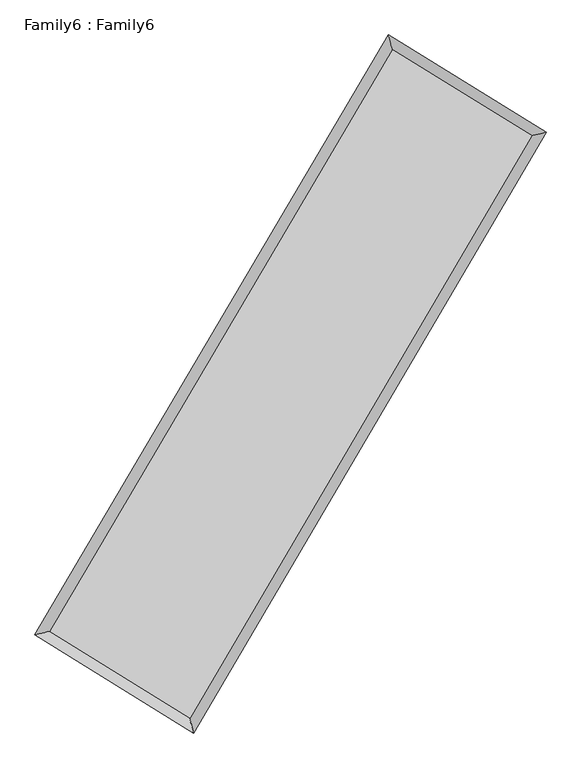
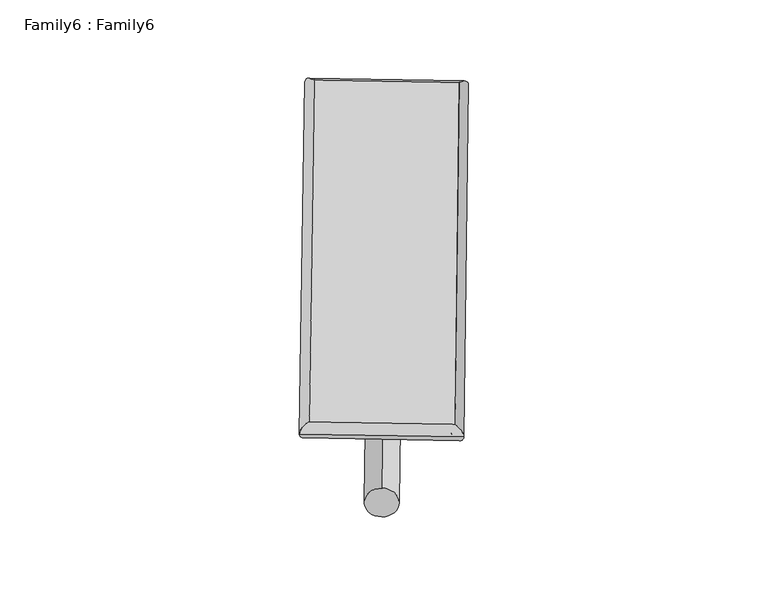
"""IFC4 building model written with IfcOpenShell, lengths in millimetres: plate geometry, Family6 : Family6."""

import ifcopenshell
import ifcopenshell.guid

model = None  # the IFC model being written
_history = None  # IfcOwnerHistory: only IFC2X3 demands one
_inside = {}  # id of a spatial element -> (the spatial element, [elements in it])
_under = {}  # id of a project, library or spatial element -> (it, [spatial elements below it])
_declared = {}  # id of a project -> (the project, [libraries it declares])
_typed = {}  # id of a type object -> (the type object, [elements of that type])
_made_of = {}  # id of a material, layer set ... -> (it, [elements and type objects made of it])


def new_model(schema):
    """Start an empty IFC model of exactly this schema.

    Asked for "IFC4X3", IfcOpenShell would pick the latest addendum, in which some entities
    have other attributes; the version numbers below select the first issue.
    IFC2X3 requires an IfcOwnerHistory on every rooted entity: one is made here for all.
    """
    global model, _history
    if schema == "IFC4X3":
        model = ifcopenshell.file(schema_version=(4, 3, 0, 0))
    else:
        model = ifcopenshell.file(schema=schema)
    _inside.clear()
    _under.clear()
    _declared.clear()
    _typed.clear()
    _made_of.clear()
    _history = None
    if model.schema == "IFC2X3":
        org = make("IfcOrganization", Name="unknown")
        user = make(
            "IfcPersonAndOrganization",
            ThePerson=make("IfcPerson", FamilyName="unknown"),
            TheOrganization=org,
        )
        app = make(
            "IfcApplication",
            ApplicationDeveloper=org,
            Version="unknown",
            ApplicationFullName="unknown",
            ApplicationIdentifier="unknown",
        )
        _history = make(
            "IfcOwnerHistory",
            OwningUser=user,
            OwningApplication=app,
            ChangeAction="ADDED",
            CreationDate=0,
        )
    return model


def make(cls, **values):
    """One entity of the class cls with the attributes given. An attribute that is None is left unset."""
    return model.create_entity(
        cls, **{name: value for name, value in values.items() if value is not None}
    )


def rooted(cls, **values):
    """An entity with a GlobalId (a new one), such as an element, a storey or a relation."""
    return make(cls, GlobalId=ifcopenshell.guid.new(), OwnerHistory=_history, **values)


def si_unit(unit_type, name, prefix=None):
    """IfcSIUnit, for example si_unit("LENGTHUNIT", "METRE", prefix="MILLI")."""
    return make("IfcSIUnit", UnitType=unit_type, Prefix=prefix, Name=name)


def assignment(units):
    """IfcUnitAssignment: the units of a project."""
    return None if units is None else make("IfcUnitAssignment", Units=units)


def point(xyz):
    """IfcCartesianPoint."""
    return None if xyz is None else make("IfcCartesianPoint", Coordinates=xyz)


def direction(xyz):
    """IfcDirection."""
    return None if xyz is None else make("IfcDirection", DirectionRatios=xyz)


def frame(location, z_axis=None, x_axis=None):
    """IfcAxis2Placement3D, a coordinate frame: its origin and axes. An axis left out is left unset."""
    return make(
        "IfcAxis2Placement3D",
        Location=point(location),
        Axis=direction(z_axis),
        RefDirection=direction(x_axis),
    )


def frame_2d(location, x_axis=None):
    """IfcAxis2Placement2D, a coordinate frame in the plane: its origin and x axis."""
    return make(
        "IfcAxis2Placement2D", Location=point(location), RefDirection=direction(x_axis)
    )


def origin():
    """The frame at (0, 0, 0) with its axes left unset."""
    return frame((0.0, 0.0, 0.0))


def origin_2d():
    """The frame at (0, 0) in the plane with its x axis left unset."""
    return frame_2d((0.0, 0.0))


def place(relative_to, where):
    """IfcLocalPlacement: puts the frame where relative to a parent placement (None: the world)."""
    return make(
        "IfcLocalPlacement", PlacementRelTo=relative_to, RelativePlacement=where
    )


def context(
    kind, dimensions, precision=None, world=None, true_north=None, identifier=None
):
    """IfcGeometricRepresentationContext, for example the 3D "Model" context."""
    return make(
        "IfcGeometricRepresentationContext",
        ContextIdentifier=identifier,
        ContextType=kind,
        CoordinateSpaceDimension=dimensions,
        Precision=precision,
        WorldCoordinateSystem=world,
        TrueNorth=true_north,
    )


def project(units=None, contexts=None):
    """IfcProject with its units and contexts."""
    return rooted(
        "IfcProject",
        Name="project",
        RepresentationContexts=contexts,
        UnitsInContext=assignment(units),
    )


def spatial(cls, under=None, at=None, **own):
    """A site, building, storey or space (cls), placed at a placement, below another one or the project."""
    s = rooted(cls, ObjectPlacement=at, **own)
    if under is not None:
        _under.setdefault(under.id(), (under, []))[1].append(s)
    return s


def circle_curve(where, radius):
    """IfcCircle in the frame where."""
    return make("IfcCircle", Position=where, Radius=radius)


def ellipse_curve(where, semi_axis1, semi_axis2):
    """IfcEllipse in the frame where."""
    return make(
        "IfcEllipse", Position=where, SemiAxis1=semi_axis1, SemiAxis2=semi_axis2
    )


def trimmed(basis, trim1, trim2, sense, master):
    """IfcTrimmedCurve: the piece of a basis curve between two trims."""
    return make(
        "IfcTrimmedCurve",
        BasisCurve=basis,
        Trim1=trim1,
        Trim2=trim2,
        SenseAgreement=sense,
        MasterRepresentation=master,
    )


def segment(curve, same_sense, transition):
    """IfcCompositeCurveSegment."""
    return make(
        "IfcCompositeCurveSegment",
        Transition=transition,
        SameSense=same_sense,
        ParentCurve=curve,
    )


def composite_curve(segments, self_intersect=None):
    """IfcCompositeCurve: segments joined end to end."""
    return make("IfcCompositeCurve", Segments=segments, SelfIntersect=self_intersect)


def outline(outer, holes=None, kind="AREA"):
    """IfcArbitraryClosedProfileDef: a profile drawn as a closed curve; with holes, ...WithVoids."""
    if holes is None:
        return make("IfcArbitraryClosedProfileDef", ProfileType=kind, OuterCurve=outer)
    return make(
        "IfcArbitraryProfileDefWithVoids",
        ProfileType=kind,
        OuterCurve=outer,
        InnerCurves=holes,
    )


def extrude(swept, where, along, depth):
    """IfcExtrudedAreaSolid: the profile swept, set in the frame where, extruded along a direction by depth."""
    return make(
        "IfcExtrudedAreaSolid",
        SweptArea=swept,
        Position=where,
        ExtrudedDirection=direction(along),
        Depth=depth,
    )


def shape(context_of_items, identifier, shape_type, items):
    """IfcShapeRepresentation: the items that make up one representation, for example the "Body"."""
    return make(
        "IfcShapeRepresentation",
        ContextOfItems=context_of_items,
        RepresentationIdentifier=identifier,
        RepresentationType=shape_type,
        Items=items,
    )


def source(mapping_origin, context_of_items, identifier, shape_type, items):
    """IfcRepresentationMap: a shape defined once, which mapped items show again and again."""
    return make(
        "IfcRepresentationMap",
        MappingOrigin=mapping_origin,
        MappedRepresentation=shape(context_of_items, identifier, shape_type, items),
    )


def transform(
    local_origin,
    x_axis=None,
    y_axis=None,
    z_axis=None,
    scale=None,
    scale2=None,
    scale3=None,
    uniform=True,
):
    """IfcCartesianTransformationOperator3D, or its non-uniform kind. x_axis, y_axis, z_axis: its Axis1, 2, 3."""
    if uniform:
        return make(
            "IfcCartesianTransformationOperator3D",
            Axis1=direction(x_axis),
            Axis2=direction(y_axis),
            LocalOrigin=point(local_origin),
            Scale=scale,
            Axis3=direction(z_axis),
        )
    return make(
        "IfcCartesianTransformationOperator3DnonUniform",
        Axis1=direction(x_axis),
        Axis2=direction(y_axis),
        LocalOrigin=point(local_origin),
        Scale=scale,
        Axis3=direction(z_axis),
        Scale2=scale2,
        Scale3=scale3,
    )


def mapped(mapping_source, mapping_target):
    """IfcMappedItem: shows the shape of a source again, moved by a transform."""
    return make(
        "IfcMappedItem", MappingSource=mapping_source, MappingTarget=mapping_target
    )


def made_of(thing, what):
    """Note that an element or type object is made of a material, layer set ...; save() writes the relation."""
    if what is not None:
        _made_of.setdefault(what.id(), (what, []))[1].append(thing)
    return thing


def element(
    cls,
    number,
    at=None,
    inside=None,
    cuts=None,
    type_object=None,
    material=None,
    context=None,
    identifier="Body",
    shape_type=None,
    held_by="IfcProductDefinitionShape",
    body=None,
    shapes=None,
    **own,
):
    """One element of the class cls, such as IfcWall. Its Tag is "e" and its number.

    at: its placement. inside: the storey or other place that contains it. cuts: it is an
    opening in that element (IfcRelVoidsElement). A single representation is given by context,
    identifier, shape_type and body (its items); several are given by shapes. held_by: the class
    of the entity that holds the representations. save() writes the other relations.
    """
    e = rooted(cls, Tag="e%d" % number, ObjectPlacement=at, **own)
    if body is not None:
        shapes = [shape(context, identifier, shape_type, body)]
    if shapes is not None:
        e.Representation = make(held_by, Representations=shapes)
    if inside is not None:
        _inside.setdefault(inside.id(), (inside, []))[1].append(e)
    if cuts is not None:
        rooted(
            "IfcRelVoidsElement", RelatingBuildingElement=cuts, RelatedOpeningElement=e
        )
    if type_object is not None:
        _typed.setdefault(type_object.id(), (type_object, []))[1].append(e)
    return made_of(e, material)


def aggregate(whole, parts):
    """IfcRelAggregates: a whole, such as a stair, and the parts it consists of."""
    return rooted("IfcRelAggregates", RelatingObject=whole, RelatedObjects=parts)


def save(model, path):
    """Write the relations noted so far, then the file.

    IfcRelAggregates (storeys below a building ...), IfcRelContainedInSpatialStructure (elements
    in a storey), IfcRelDefinesByType, IfcRelAssociatesMaterial and IfcRelDeclares: one each for
    every whole, place, type object, material and project.
    """
    for whole, parts in _under.values():
        aggregate(whole, parts)
    for where, things in _inside.values():
        rooted(
            "IfcRelContainedInSpatialStructure",
            RelatedElements=things,
            RelatingStructure=where,
        )
    for kind, things in _typed.values():
        rooted("IfcRelDefinesByType", RelatedObjects=things, RelatingType=kind)
    for what, things in _made_of.values():
        rooted("IfcRelAssociatesMaterial", RelatedObjects=things, RelatingMaterial=what)
    for by, libraries in _declared.values():
        rooted("IfcRelDeclares", RelatingContext=by, RelatedDefinitions=libraries)
    model.write(path)


def plane_surface(at):
    """IfcPlane: the flat surface through the origin of the frame at, square to its z axis."""
    return make("IfcPlane", Position=at)


def cylinder_surface(at, radius):
    """IfcCylindricalSurface: all points at the distance radius from the z axis of the frame at."""
    return make("IfcCylindricalSurface", Position=at, Radius=radius)


def spline_surface(u_degree, v_degree, points, u_multiplicities, v_multiplicities, u_knots, v_knots, weights=None):
    """IfcBSplineSurfaceWithKnots; with weights, IfcRationalBSplineSurfaceWithKnots. points: one row for each step in u."""
    own = dict(
        UDegree=u_degree,
        VDegree=v_degree,
        ControlPointsList=[[point(p) for p in row] for row in points],
        SurfaceForm="UNSPECIFIED",
        UClosed=False,
        VClosed=False,
        SelfIntersect=False,
        UMultiplicities=u_multiplicities,
        VMultiplicities=v_multiplicities,
        UKnots=u_knots,
        VKnots=v_knots,
        KnotSpec="UNSPECIFIED",
    )
    if weights is None:
        return make("IfcBSplineSurfaceWithKnots", **own)
    return make("IfcRationalBSplineSurfaceWithKnots", WeightsData=weights, **own)


def advanced_brep(points, edges, surfaces, faces):
    """IfcAdvancedBrep: a solid bounded by faces that lie on surfaces and meet in shared edges.

    An edge is (start, end): straight between two places in points (the first is 0);
    or (start, end, curve); or (start, end, curve, False) where it runs against its curve.
    A face is (place in surfaces, loops), or (place, loops, False) where it looks against
    its surface's normal. A loop lists edges by number (the first is 1), with a minus sign
    where the edge is run from its end to its start. The first loop is the outer one.
    """
    corners = [point(p) for p in points]
    vertices = [make("IfcVertexPoint", VertexGeometry=c) for c in corners]
    made = []
    for start, end, *more in edges:
        made.append(
            make(
                "IfcEdgeCurve",
                EdgeStart=vertices[start],
                EdgeEnd=vertices[end],
                EdgeGeometry=more[0] if more else make("IfcPolyline", Points=[corners[start], corners[end]]),
                SameSense=more[1] if len(more) > 1 else True,
            )
        )
    hull = []
    for where, loops, *sense in faces:
        bounds = []
        for j, loop in enumerate(loops):
            ring = [make("IfcOrientedEdge", EdgeElement=made[abs(k) - 1], Orientation=k > 0) for k in loop]
            bounds.append(
                make(
                    "IfcFaceOuterBound" if j == 0 else "IfcFaceBound",
                    Bound=make("IfcEdgeLoop", EdgeList=ring),
                    Orientation=True,
                )
            )
        hull.append(make("IfcAdvancedFace", Bounds=bounds, FaceSurface=surfaces[where], SameSense=sense[0] if sense else True))
    return make("IfcAdvancedBrep", Outer=make("IfcClosedShell", CfsFaces=hull))


def family6_family6_77c3e28c(model_context):
    return source(origin(), model_context, "Body", "SolidModel", [
        extrude(outline(composite_curve([segment(trimmed(circle_curve(origin_2d(), 76.2), [point((-75.4341514, -10.7763073))], [point((75.4341514, 10.7763073))], False, "CARTESIAN"), True, "CONTINUOUS"), segment(trimmed(circle_curve(origin_2d(), 76.2), [point((75.4341514, 10.7763073))], [point((-75.4341514, -10.7763073))], False, "CARTESIAN"), True, "CONTINUOUS")], self_intersect=False)), frame((9144.0, 9144.0, 0.0), z_axis=(0.6714934740501881, 0.6884695909529743, 0.27405498835280095), x_axis=(-0.6805135995412371, 0.7193107360191556, -0.13961842961088383)), (0.0, 0.0, 1.0), 5550.6311201),
        extrude(outline(composite_curve([segment(trimmed(circle_curve(origin_2d(), 76.2), [point((-53.8815367, 53.8815368))], [point((53.8815367, -53.8815368))], False, "CARTESIAN"), True, "CONTINUOUS"), segment(trimmed(circle_curve(origin_2d(), 76.2), [point((53.8815367, -53.8815368))], [point((-53.8815367, 53.8815368))], False, "CARTESIAN"), True, "CONTINUOUS")], self_intersect=False)), frame((9144.0, 9144.0, 0.0), z_axis=(-0.6726033541945122, -0.6873880879060019, 0.2740480697454777), x_axis=(0.6421509391810696, -0.3581196996721654, 0.6777849600098754)), (0.0, 0.0, 1.0), 5550.9109134),
        extrude(outline(composite_curve([segment(trimmed(circle_curve(origin_2d(), 76.2), [point((-53.8815368, -53.8815367))], [point((53.8815368, 53.8815367))], False, "CARTESIAN"), True, "CONTINUOUS"), segment(trimmed(circle_curve(origin_2d(), 76.2), [point((53.8815368, 53.8815367))], [point((-53.8815368, -53.8815367))], False, "CARTESIAN"), True, "CONTINUOUS")], self_intersect=False)), frame((9144.0, 9144.0, 0.0), z_axis=(0.27791717020310763, 0.9212493815472851, 0.2721426528588301), x_axis=(-0.839037679225885, 0.37074654221533865, -0.3981994152112871)), (0.0, 0.0, 1.0), 5598.952258),
        extrude(outline(composite_curve([segment(trimmed(circle_curve(origin_2d(), 76.2), [point((-75.4341514, 10.7763073))], [point((75.4341514, -10.7763073))], False, "CARTESIAN"), True, "CONTINUOUS"), segment(trimmed(circle_curve(origin_2d(), 76.2), [point((75.4341514, -10.7763073))], [point((-75.4341514, 10.7763073))], False, "CARTESIAN"), True, "CONTINUOUS")], self_intersect=False)), frame((9144.0, 9144.0, 0.0), z_axis=(-0.27664168429711433, -0.9217004600418367, 0.2719147669177281), x_axis=(0.8780291692541029, -0.12743524843568177, 0.46132963853960873)), (0.0, 0.0, 1.0), 5603.9445545),
        advanced_brep(
        [(5203.3700266, 5277.1999678, 1521.4192606), (5617.5075856, 5379.5402601, 1521.4734338), (5617.507375, 5379.5399544, 1521.0135817), (10752.4449947, 14090.8104908, 1523.43786), (10647.6449406, 14513.2521192, 1523.9895814), (5203.369816, 5277.1996622, 1520.9594085), (12664.213109, 12913.9086143, 1521.205223), (13078.212039, 13016.9728592, 1521.1510709), (7541.242638, 4190.4400225, 1523.745723), (7646.1880415, 3767.2434296, 1523.8448317)],
        [
            (0, 1, ellipse_curve(frame((5410.4387008, 5328.3699611, 1521.2164211), z_axis=(-0.23990015049681146, 0.9707974202690262, -0.000535341583476341), x_axis=(-0.9707970612204224, -0.23990055220788256, -0.0008893683962672171)), 213.2978972, 152.4)),
            (1, 2, ellipse_curve(frame((5410.4387008, 5328.3699611, 1521.2164211), z_axis=(-0.23990015049681146, 0.9707974202690262, -0.000535341583476341), x_axis=(-0.9707970612204224, -0.23990055220788256, -0.0008893683962672171)), 213.2978972, 152.4)),
            (2, 3),
            (3, 4, ellipse_curve(frame((10700.0449677, 14302.031305, 1523.7137207), z_axis=(-0.9705786882060006, -0.24078355342346444, 0.0005388887534651897), x_axis=(0.24078304625571476, -0.9705785786312136, -0.0008644871494334292)), 217.6237103, 152.4)),
            (4, 0),
            (2, 5, ellipse_curve(frame((5410.4387008, 5328.3699611, 1521.2164211), z_axis=(-0.23990015049681146, 0.9707974202690262, -0.000535341583476341), x_axis=(-0.9707970612204224, -0.23990055220788256, -0.0008893683962672171)), 213.2978972, 152.4)),
            (5, 0, ellipse_curve(frame((5410.4387008, 5328.3699611, 1521.2164211), z_axis=(-0.23990015049681146, 0.9707974202690262, -0.000535341583476341), x_axis=(-0.9707970612204224, -0.23990055220788256, -0.0008893683962672171)), 213.2978972, 152.4)),
            (4, 3, ellipse_curve(frame((10700.0449677, 14302.031305, 1523.7137207), z_axis=(-0.9705786882060006, -0.24078355342346444, 0.0005388887534651897), x_axis=(0.24078304625571476, -0.9705785786312136, -0.0008644871494334292)), 217.6237103, 152.4)),
            (3, 6),
            (6, 7, ellipse_curve(frame((12871.212574, 12965.4407368, 1521.178147), z_axis=(-0.24157470347472926, 0.9703820855578406, 0.0005202590819811876), x_axis=(-0.9703817206075955, -0.24157508983850828, 0.0008901012071989528)), 213.31752, 152.4)),
            (7, 4),
            (7, 6, ellipse_curve(frame((12871.212574, 12965.4407368, 1521.178147), z_axis=(-0.24157470347472926, 0.9703820855578406, 0.0005202590819811876), x_axis=(-0.9703817206075955, -0.24157508983850828, 0.0008901012071989528)), 213.31752, 152.4)),
            (6, 8),
            (8, 9, ellipse_curve(frame((7593.7153397, 3978.8417261, 1523.7952774), z_axis=(0.9706013001582103, 0.2406923878906905, 0.000539020100571433), x_axis=(-0.24069187062955488, 0.9706011808525556, -0.0008781460414929699)), 218.0074471, 152.4)),
            (9, 7),
            (9, 8, ellipse_curve(frame((7593.7153397, 3978.8417261, 1523.7952774), z_axis=(0.9706013001582103, 0.2406923878906905, 0.000539020100571433), x_axis=(-0.24069187062955488, 0.9706011808525556, -0.0008781460414929699)), 218.0074471, 152.4)),
            (8, 1),
            (5, 9),
        ],
        [
            cylinder_surface(frame((5410.4387008, 5328.3699611, 1521.2164211), z_axis=(-0.5078031512523975, -0.8614731000456646, -0.0002397412086128499), x_axis=(-0.861472259467783, 0.5078022200373226, 0.0015657243178123466)), 152.4),
            cylinder_surface(frame((10700.0449677, 14302.031305, 1523.7137207), z_axis=(-0.8515725517889103, 0.5242358248064877, 0.000994499464696993), x_axis=(0.5242365922387316, 0.8515722877079476, 0.000796345260930242)), 152.4),
            cylinder_surface(frame((12871.212574, 12965.4407368, 1521.178147), z_axis=(0.5063971080162147, 0.8623003571432934, -0.00025112419850974773), x_axis=(0.862300391006447, -0.5063971080162146, 6.828574530979506e-05)), 152.4),
            cylinder_surface(frame((7593.7153397, 3978.8417261, 1523.7952774), z_axis=(0.8506174351278062, -0.5257841473066813, 0.0010047375672566862), x_axis=(-0.5257836824660244, -0.8506180256913369, -0.0007025819804626488)), 152.4),
        ],
        [
            (0, [[1, 2, 3, 4, 5]]),
            (0, [[6, 7, -5, 8, -3]]),
            (1, [[-4, 9, 10, 11]]),
            (1, [[-8, -11, 12, -9]]),
            (2, [[-10, 13, 14, 15]]),
            (2, [[-12, -15, 16, -13]]),
            (3, [[-14, 17, -1, -7, 18]]),
            (3, [[-16, -18, -6, -2, -17]]),
        ],
    ),
        extrude(outline(composite_curve([segment(trimmed(circle_curve(origin_2d(), 304.8), [point((0.0, -304.8))], [point((0.0, 304.8))], False, "CARTESIAN"), True, "CONTINUOUS"), segment(trimmed(circle_curve(origin_2d(), 304.8), [point((0.0, 304.8))], [point((0.0, -304.8))], False, "CARTESIAN"), True, "CONTINUOUS")], self_intersect=False)), frame((6494.8568051, 4639.085738, -1.5e-05), z_axis=(0.506905490394441, 0.8620016379381024, 2.8720333474865446e-09), x_axis=(-0.8620016379381024, 0.506905490394441, 7.818733575599845e-10)), (0.0, 0.0, 1.0), 10452.2174058),
        advanced_brep(
        [(5410.4387008, 5328.3699611, 1521.2164211), (7593.7153397, 3978.8417261, 1523.7952774), (7593.7142565, 3978.8433899, 1676.1952773), (5410.4376176, 5328.371625, 1673.6164211), (12871.212574, 12965.4407368, 1521.178147), (12871.2114908, 12965.4424006, 1673.5781469), (10700.0449677, 14302.031305, 1523.7137207), (10700.0438844, 14302.0329689, 1676.1137207)],
        [
            (0, 1),
            (1, 2),
            (2, 3),
            (3, 0),
            (1, 4),
            (4, 5),
            (5, 2),
            (4, 6),
            (6, 7),
            (7, 5),
            (6, 0),
            (3, 7),
        ],
        [
            plane_surface(frame((6502.0770203, 4653.6058436, 1522.5058492), z_axis=(-0.5257844174305616, -0.8506178615314919, 5.5494927862404e-06), x_axis=(0.850617435127806, -0.5257841473066812, 0.0010047375672566866))),
            plane_surface(frame((10232.4639569, 8472.1412314, 1522.4867122), z_axis=(0.8623003857569767, -0.5063971214249415, 1.165772308337974e-05), x_axis=(0.5063971080162145, 0.8623003571432933, -0.00025112419850974735))),
            plane_surface(frame((11785.6287708, 13633.7360209, 1522.4459338), z_axis=(0.5242360793228531, 0.8515729757954794, -5.570925653810752e-06), x_axis=(-0.8515725517889104, 0.5242358248064876, 0.0009944994646969932))),
            plane_surface(frame((8055.2418342, 9815.2006331, 1522.4650709), z_axis=(-0.8614731233236006, 0.5078031682206771, -1.1667193662966355e-05), x_axis=(-0.5078031512523975, -0.8614731000456646, -0.00023974120861284992))),
            spline_surface(1, 1, [[(7593.7142565, 3978.8433899, 1676.1952773), (5410.4376176, 5328.371625, 1673.6164211)], [(12871.2114908, 12965.4424006, 1673.5781469), (10700.0438844, 14302.0329689, 1676.1137207)]], [2, 2], [2, 2], [0.0, 1.0], [0.0, 1.0]),
            spline_surface(1, 1, [[(10700.0449677, 14302.031305, 1523.7137207), (5410.4387008, 5328.3699611, 1521.2164211)], [(12871.212574, 12965.4407368, 1521.178147), (7593.7153397, 3978.8417261, 1523.7952774)]], [2, 2], [2, 2], [0.0, 1.0], [0.0, 1.0]),
        ],
        [
            (0, [[1, 2, 3, 4]]),
            (1, [[5, 6, 7, -2]]),
            (2, [[8, 9, 10, -6]]),
            (3, [[11, -4, 12, -9]]),
            (4, [[-3, -7, -10, -12]]),
            (5, [[-11, -8, -5, -1]]),
        ],
    ),
    ])


if __name__ == "__main__":
    model = new_model("IFC4")
    model_context = context("Model", 3, world=origin())
    ifc_project = project(units=[si_unit("LENGTHUNIT", "METRE", prefix="MILLI")], contexts=[model_context])
    site = spatial("IfcSite", under=ifc_project)
    building = spatial("IfcBuilding", under=site)
    placement = place(None, origin())
    family6_family6_shape = family6_family6_77c3e28c(model_context)
    element("IfcPlate", 1, ObjectType="Family6 : Family6", at=placement, inside=building, context=model_context, shape_type="MappedRepresentation", body=[
        mapped(family6_family6_shape, transform((0.0, 0.0, 0.0), x_axis=(1.0, 0.0, 0.0), y_axis=(0.0, 1.0, 0.0), z_axis=(0.0, 0.0, 1.0))),
    ])
    save(model, "model.ifc")
